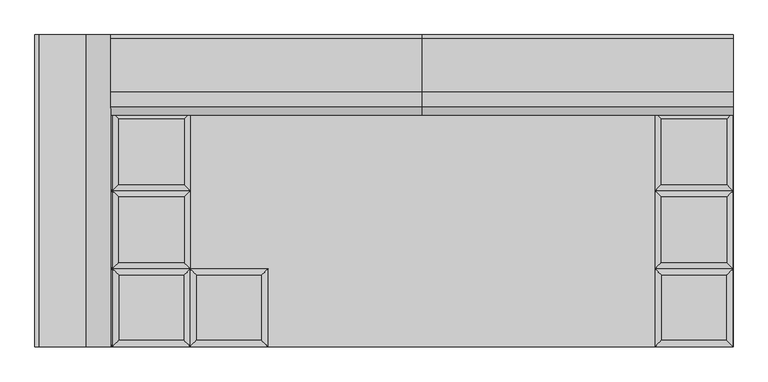
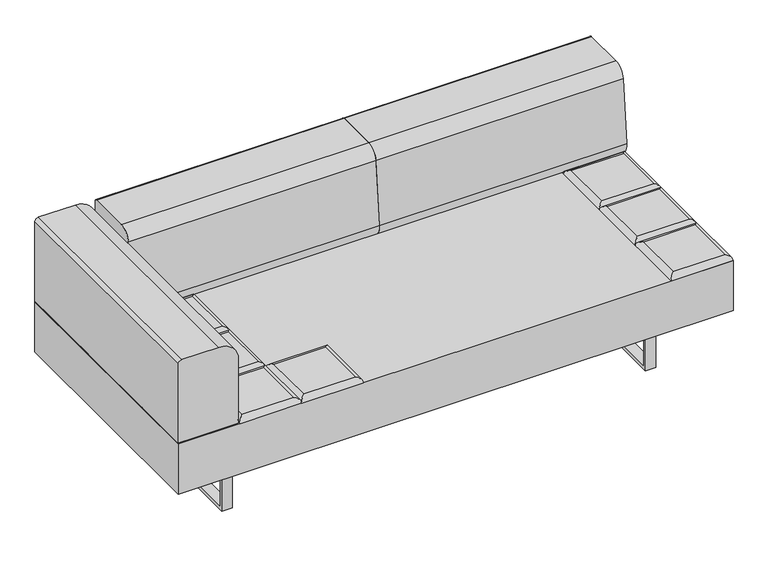
"""IFC4 building model written with IfcOpenShell, lengths in millimetres: furniture geometry."""

from ifc_helpers import new_model, si_unit, point, frame, frame_2d, origin, place, context, project, spatial, polyline, circle_curve, ellipse_curve, trimmed, segment, composite_curve, outline, extrude, source, transform, mapped, element, save
from ifc_brep_helpers import plane_surface, cylinder_surface, advanced_brep


def furniture_62f814ec(model_context):
    return source(origin(), model_context, "Body", "SolidModel", [
        advanced_brep(
        [(-330.2, -222.25, 393.7), (-348.1605122, -240.2105122, 411.6605122), (-348.1605122, -426.5394878, 411.6605122), (-330.2, -444.5, 393.7), (-534.4894878, -426.5394878, 411.6605122), (-552.45, -444.5, 393.7), (-534.4894878, -240.2105122, 411.6605122), (-552.45, -222.25, 393.7)],
        [
            (0, 1, ellipse_curve(frame((-348.1605122, -240.2105122, 393.7), z_axis=(0.7071067811865475, -0.7071067811865475, 0.0), x_axis=(0.7071067811865474, 0.7071067811865476, 0.0)), 25.4, 17.9605122)),
            (1, 2),
            (2, 3, ellipse_curve(frame((-348.1605122, -426.5394878, 393.7), z_axis=(0.7071067811865475, 0.7071067811865475, 0.0), x_axis=(-0.7071067811865474, 0.7071067811865476, 0.0)), 25.4, 17.9605122)),
            (3, 0),
            (2, 4),
            (4, 5, ellipse_curve(frame((-534.4894878, -426.5394878, 393.7), z_axis=(0.7071067811865475, -0.7071067811865475, 0.0), x_axis=(0.7071067811865476, 0.7071067811865474, 0.0)), 25.4, 17.9605122)),
            (5, 3),
            (4, 6),
            (6, 7, ellipse_curve(frame((-534.4894878, -240.2105122, 393.7), z_axis=(-0.7071067811865475, -0.7071067811865475, 0.0), x_axis=(0.7071067811865474, -0.7071067811865476, 0.0)), 25.4, 17.9605122)),
            (7, 5),
            (0, 7),
            (6, 1),
        ],
        [
            cylinder_surface(frame((-348.1605122, -222.25, 393.7), z_axis=(0.0, 1.0, 0.0), x_axis=(1.0, 0.0, 0.0)), 17.9605122),
            cylinder_surface(frame((-330.2, -426.5394878, 393.7), z_axis=(1.0, 0.0, 0.0), x_axis=(0.0, -1.0, 0.0)), 17.9605122),
            cylinder_surface(frame((-534.4894878, -444.5, 393.7), z_axis=(0.0, -1.0, 0.0), x_axis=(-1.0, 0.0, 0.0)), 17.9605122),
            cylinder_surface(frame((-552.45, -240.2105122, 393.7), z_axis=(-1.0, 0.0, 0.0), x_axis=(0.0, 1.0, 0.0)), 17.9605122),
            plane_surface(frame((-552.45, -222.25, 393.7), z_axis=(0.0, 0.0, -1.0), x_axis=(1.0, 0.0, 0.0))),
            plane_surface(frame((-534.4894878, -240.2105122, 411.6605122), z_axis=(0.0, 0.0, 1.0), x_axis=(-1.0, 0.0, 0.0))),
        ],
        [
            (0, [[1, 2, 3, 4]]),
            (1, [[-3, 5, 6, 7]]),
            (2, [[-6, 8, 9, 10]]),
            (3, [[-1, 11, -9, 12]]),
            (4, [[-4, -7, -10, -11]]),
            (5, [[-2, -12, -8, -5]]),
        ],
    ),
        advanced_brep(
        [(-568.8230122, -204.2894878, 411.6605122), (-568.8230122, -17.9605122, 411.6605122), (-755.1519878, -17.9605122, 411.6605122), (-755.1519878, -204.2894878, 411.6605122), (-550.8625, 0.0, 393.7), (-550.8625, -222.25, 393.7), (-773.1125, -222.25, 393.7), (-773.1125, 0.0, 393.7)],
        [
            (0, 1),
            (1, 2),
            (2, 3),
            (3, 0),
            (4, 5),
            (5, 6),
            (6, 7),
            (7, 4),
            (4, 1, ellipse_curve(frame((-568.8230122, -17.9605122, 393.7), z_axis=(0.7071067811865475, -0.7071067811865475, 0.0), x_axis=(0.7071067811865474, 0.7071067811865476, 0.0)), 25.4, 17.9605122)),
            (0, 5, ellipse_curve(frame((-568.8230122, -204.2894878, 393.7), z_axis=(0.7071067811865475, 0.7071067811865475, 0.0), x_axis=(-0.7071067811865474, 0.7071067811865476, 0.0)), 25.4, 17.9605122)),
            (3, 6, ellipse_curve(frame((-755.1519878, -204.2894878, 393.7), z_axis=(0.7071067811865475, -0.7071067811865475, 0.0), x_axis=(0.7071067811865476, 0.7071067811865474, 0.0)), 25.4, 17.9605122)),
            (2, 7, ellipse_curve(frame((-755.1519878, -17.9605122, 393.7), z_axis=(-0.7071067811865475, -0.7071067811865475, 0.0), x_axis=(0.7071067811865474, -0.7071067811865476, 0.0)), 25.4, 17.9605122)),
        ],
        [
            plane_surface(frame((-755.1519878, -17.9605122, 411.6605122), z_axis=(0.0, 0.0, 1.0), x_axis=(-1.0, 0.0, 0.0))),
            plane_surface(frame((-755.1519878, -17.9605122, 393.7), z_axis=(0.0, 0.0, -1.0), x_axis=(1.0, 0.0, 0.0))),
            cylinder_surface(frame((-568.8230122, 0.0, 393.7), z_axis=(0.0, 1.0, 0.0), x_axis=(1.0, 0.0, 0.0)), 17.9605122),
            cylinder_surface(frame((-550.8625, -204.2894878, 393.7), z_axis=(1.0, 0.0, 0.0), x_axis=(0.0, -1.0, 0.0)), 17.9605122),
            cylinder_surface(frame((-755.1519878, -222.25, 393.7), z_axis=(0.0, -1.0, 0.0), x_axis=(-1.0, 0.0, 0.0)), 17.9605122),
            cylinder_surface(frame((-773.1125, -17.9605122, 393.7), z_axis=(-1.0, 0.0, 0.0), x_axis=(0.0, 1.0, 0.0)), 17.9605122),
        ],
        [
            (0, [[1, 2, 3, 4]]),
            (1, [[5, 6, 7, 8]]),
            (2, [[9, -1, 10, -5]]),
            (3, [[-10, -4, 11, -6]]),
            (4, [[-11, -3, 12, -7]]),
            (5, [[-9, -8, -12, -2]]),
        ],
    ),
        advanced_brep(
        [(-568.8230122, 17.9605122, 411.6605122), (-568.8230122, 204.2894878, 411.6605122), (-755.1519878, 204.2894878, 411.6605122), (-755.1519878, 17.9605122, 411.6605122), (-550.8625, 222.25, 393.7), (-550.8625, 0.0, 393.7), (-773.1125, 0.0, 393.7), (-773.1125, 222.25, 393.7)],
        [
            (0, 1),
            (1, 2),
            (2, 3),
            (3, 0),
            (4, 5),
            (5, 6),
            (6, 7),
            (7, 4),
            (4, 1, ellipse_curve(frame((-568.8230122, 204.2894878, 393.7), z_axis=(0.7071067811865475, -0.7071067811865475, 0.0), x_axis=(0.7071067811865474, 0.7071067811865476, 0.0)), 25.4, 17.9605122)),
            (0, 5, ellipse_curve(frame((-568.8230122, 17.9605122, 393.7), z_axis=(0.7071067811865475, 0.7071067811865475, 0.0), x_axis=(-0.7071067811865474, 0.7071067811865476, 0.0)), 25.4, 17.9605122)),
            (3, 6, ellipse_curve(frame((-755.1519878, 17.9605122, 393.7), z_axis=(0.7071067811865475, -0.7071067811865475, 0.0), x_axis=(0.7071067811865476, 0.7071067811865474, 0.0)), 25.4, 17.9605122)),
            (2, 7, ellipse_curve(frame((-755.1519878, 204.2894878, 393.7), z_axis=(-0.7071067811865475, -0.7071067811865475, 0.0), x_axis=(0.7071067811865474, -0.7071067811865476, 0.0)), 25.4, 17.9605122)),
        ],
        [
            plane_surface(frame((-755.1519878, 204.2894878, 411.6605122), z_axis=(0.0, 0.0, 1.0), x_axis=(-1.0, 0.0, 0.0))),
            plane_surface(frame((-755.1519878, 204.2894878, 393.7), z_axis=(0.0, 0.0, -1.0), x_axis=(1.0, 0.0, 0.0))),
            cylinder_surface(frame((-568.8230122, 222.25, 393.7), z_axis=(0.0, 1.0, 0.0), x_axis=(1.0, 0.0, 0.0)), 17.9605122),
            cylinder_surface(frame((-550.8625, 17.9605122, 393.7), z_axis=(1.0, 0.0, 0.0), x_axis=(0.0, -1.0, 0.0)), 17.9605122),
            cylinder_surface(frame((-755.1519878, 0.0, 393.7), z_axis=(0.0, -1.0, 0.0), x_axis=(-1.0, 0.0, 0.0)), 17.9605122),
            cylinder_surface(frame((-773.1125, 204.2894878, 393.7), z_axis=(-1.0, 0.0, 0.0), x_axis=(0.0, 1.0, 0.0)), 17.9605122),
        ],
        [
            (0, [[1, 2, 3, 4]]),
            (1, [[5, 6, 7, 8]]),
            (2, [[9, -1, 10, -5]]),
            (3, [[-10, -4, 11, -6]]),
            (4, [[-11, -3, 12, -7]]),
            (5, [[-9, -8, -12, -2]]),
        ],
    ),
        advanced_brep(
        [(-568.8230122, 240.2105122, 411.6605122), (-568.8230122, 426.5394878, 411.6605122), (-755.1519878, 426.5394878, 411.6605122), (-755.1519878, 240.2105122, 411.6605122), (-550.8625, 444.5, 393.7), (-550.8625, 222.25, 393.7), (-773.1125, 222.25, 393.7), (-773.1125, 444.5, 393.7)],
        [
            (0, 1),
            (1, 2),
            (2, 3),
            (3, 0),
            (4, 5),
            (5, 6),
            (6, 7),
            (7, 4),
            (4, 1, ellipse_curve(frame((-568.8230122, 426.5394878, 393.7), z_axis=(0.7071067811865475, -0.7071067811865475, 0.0), x_axis=(0.7071067811865474, 0.7071067811865476, 0.0)), 25.4, 17.9605122)),
            (0, 5, ellipse_curve(frame((-568.8230122, 240.2105122, 393.7), z_axis=(0.7071067811865475, 0.7071067811865475, 0.0), x_axis=(-0.7071067811865474, 0.7071067811865476, 0.0)), 25.4, 17.9605122)),
            (3, 6, ellipse_curve(frame((-755.1519878, 240.2105122, 393.7), z_axis=(0.7071067811865475, -0.7071067811865475, 0.0), x_axis=(0.7071067811865476, 0.7071067811865474, 0.0)), 25.4, 17.9605122)),
            (2, 7, ellipse_curve(frame((-755.1519878, 426.5394878, 393.7), z_axis=(-0.7071067811865475, -0.7071067811865475, 0.0), x_axis=(0.7071067811865474, -0.7071067811865476, 0.0)), 25.4, 17.9605122)),
        ],
        [
            plane_surface(frame((-755.1519878, 426.5394878, 411.6605122), z_axis=(0.0, 0.0, 1.0), x_axis=(-1.0, 0.0, 0.0))),
            plane_surface(frame((-755.1519878, 426.5394878, 393.7), z_axis=(0.0, 0.0, -1.0), x_axis=(1.0, 0.0, 0.0))),
            cylinder_surface(frame((-568.8230122, 444.5, 393.7), z_axis=(0.0, 1.0, 0.0), x_axis=(1.0, 0.0, 0.0)), 17.9605122),
            cylinder_surface(frame((-550.8625, 240.2105122, 393.7), z_axis=(1.0, 0.0, 0.0), x_axis=(0.0, -1.0, 0.0)), 17.9605122),
            cylinder_surface(frame((-755.1519878, 222.25, 393.7), z_axis=(0.0, -1.0, 0.0), x_axis=(-1.0, 0.0, 0.0)), 17.9605122),
            cylinder_surface(frame((-773.1125, 426.5394878, 393.7), z_axis=(-1.0, 0.0, 0.0), x_axis=(0.0, 1.0, 0.0)), 17.9605122),
        ],
        [
            (0, [[1, 2, 3, 4]]),
            (1, [[5, 6, 7, 8]]),
            (2, [[9, -1, 10, -5]]),
            (3, [[-10, -4, 11, -6]]),
            (4, [[-11, -3, 12, -7]]),
            (5, [[-9, -8, -12, -2]]),
        ],
    ),
        advanced_brep(
        [(-550.8625, -222.25, 393.7), (-568.8230122, -240.2105122, 411.6605122), (-568.8230122, -426.5394878, 411.6605122), (-550.8625, -444.5, 393.7), (-755.1519878, -426.5394878, 411.6605122), (-773.1125, -444.5, 393.7), (-755.1519878, -240.2105122, 411.6605122), (-773.1125, -222.25, 393.7)],
        [
            (0, 1, ellipse_curve(frame((-568.8230122, -240.2105122, 393.7), z_axis=(0.7071067811865475, -0.7071067811865475, 0.0), x_axis=(0.7071067811865474, 0.7071067811865476, 0.0)), 25.4, 17.9605122)),
            (1, 2),
            (2, 3, ellipse_curve(frame((-568.8230122, -426.5394878, 393.7), z_axis=(0.7071067811865475, 0.7071067811865475, 0.0), x_axis=(-0.7071067811865474, 0.7071067811865476, 0.0)), 25.4, 17.9605122)),
            (3, 0),
            (2, 4),
            (4, 5, ellipse_curve(frame((-755.1519878, -426.5394878, 393.7), z_axis=(0.7071067811865475, -0.7071067811865475, 0.0), x_axis=(0.7071067811865476, 0.7071067811865474, 0.0)), 25.4, 17.9605122)),
            (5, 3),
            (4, 6),
            (6, 7, ellipse_curve(frame((-755.1519878, -240.2105122, 393.7), z_axis=(-0.7071067811865475, -0.7071067811865475, 0.0), x_axis=(0.7071067811865474, -0.7071067811865476, 0.0)), 25.4, 17.9605122)),
            (7, 5),
            (0, 7),
            (6, 1),
        ],
        [
            cylinder_surface(frame((-568.8230122, -222.25, 393.7), z_axis=(0.0, 1.0, 0.0), x_axis=(1.0, 0.0, 0.0)), 17.9605122),
            cylinder_surface(frame((-550.8625, -426.5394878, 393.7), z_axis=(1.0, 0.0, 0.0), x_axis=(0.0, -1.0, 0.0)), 17.9605122),
            cylinder_surface(frame((-755.1519878, -444.5, 393.7), z_axis=(0.0, -1.0, 0.0), x_axis=(-1.0, 0.0, 0.0)), 17.9605122),
            cylinder_surface(frame((-773.1125, -240.2105122, 393.7), z_axis=(-1.0, 0.0, 0.0), x_axis=(0.0, 1.0, 0.0)), 17.9605122),
            plane_surface(frame((-773.1125, -222.25, 393.7), z_axis=(0.0, 0.0, -1.0), x_axis=(1.0, 0.0, 0.0))),
            plane_surface(frame((-755.1519878, -240.2105122, 411.6605122), z_axis=(0.0, 0.0, 1.0), x_axis=(-1.0, 0.0, 0.0))),
        ],
        [
            (0, [[1, 2, 3, 4]]),
            (1, [[-3, 5, 6, 7]]),
            (2, [[-6, 8, 9, 10]]),
            (3, [[-1, 11, -9, 12]]),
            (4, [[-4, -7, -10, -11]]),
            (5, [[-2, -12, -8, -5]]),
        ],
    ),
        advanced_brep(
        [(975.8144878, -204.2894878, 411.6605122), (975.8144878, -17.9605122, 411.6605122), (789.4855122, -17.9605122, 411.6605122), (789.4855122, -204.2894878, 411.6605122), (993.775, 0.0, 393.7), (993.775, -222.25, 393.7), (771.525, -222.25, 393.7), (771.525, 0.0, 393.7)],
        [
            (0, 1),
            (1, 2),
            (2, 3),
            (3, 0),
            (4, 5),
            (5, 6),
            (6, 7),
            (7, 4),
            (4, 1, ellipse_curve(frame((975.8144878, -17.9605122, 393.7), z_axis=(0.7071067811865475, -0.7071067811865475, 0.0), x_axis=(0.7071067811865474, 0.7071067811865476, 0.0)), 25.4, 17.9605122)),
            (0, 5, ellipse_curve(frame((975.8144878, -204.2894878, 393.7), z_axis=(0.7071067811865475, 0.7071067811865475, 0.0), x_axis=(-0.7071067811865474, 0.7071067811865476, 0.0)), 25.4, 17.9605122)),
            (3, 6, ellipse_curve(frame((789.4855122, -204.2894878, 393.7), z_axis=(0.7071067811865475, -0.7071067811865475, 0.0), x_axis=(0.7071067811865476, 0.7071067811865474, 0.0)), 25.4, 17.9605122)),
            (2, 7, ellipse_curve(frame((789.4855122, -17.9605122, 393.7), z_axis=(-0.7071067811865475, -0.7071067811865475, 0.0), x_axis=(0.7071067811865474, -0.7071067811865476, 0.0)), 25.4, 17.9605122)),
        ],
        [
            plane_surface(frame((789.4855122, -17.9605122, 411.6605122), z_axis=(0.0, 0.0, 1.0), x_axis=(-1.0, 0.0, 0.0))),
            plane_surface(frame((789.4855122, -17.9605122, 393.7), z_axis=(0.0, 0.0, -1.0), x_axis=(1.0, 0.0, 0.0))),
            cylinder_surface(frame((975.8144878, 0.0, 393.7), z_axis=(0.0, 1.0, 0.0), x_axis=(1.0, 0.0, 0.0)), 17.9605122),
            cylinder_surface(frame((993.775, -204.2894878, 393.7), z_axis=(1.0, 0.0, 0.0), x_axis=(0.0, -1.0, 0.0)), 17.9605122),
            cylinder_surface(frame((789.4855122, -222.25, 393.7), z_axis=(0.0, -1.0, 0.0), x_axis=(-1.0, 0.0, 0.0)), 17.9605122),
            cylinder_surface(frame((771.525, -17.9605122, 393.7), z_axis=(-1.0, 0.0, 0.0), x_axis=(0.0, 1.0, 0.0)), 17.9605122),
        ],
        [
            (0, [[1, 2, 3, 4]]),
            (1, [[5, 6, 7, 8]]),
            (2, [[9, -1, 10, -5]]),
            (3, [[-10, -4, 11, -6]]),
            (4, [[-11, -3, 12, -7]]),
            (5, [[-9, -8, -12, -2]]),
        ],
    ),
        advanced_brep(
        [(975.8144878, 17.9605122, 411.6605122), (975.8144878, 204.2894878, 411.6605122), (789.4855122, 204.2894878, 411.6605122), (789.4855122, 17.9605122, 411.6605122), (993.775, 222.25, 393.7), (993.775, 0.0, 393.7), (771.525, 0.0, 393.7), (771.525, 222.25, 393.7)],
        [
            (0, 1),
            (1, 2),
            (2, 3),
            (3, 0),
            (4, 5),
            (5, 6),
            (6, 7),
            (7, 4),
            (4, 1, ellipse_curve(frame((975.8144878, 204.2894878, 393.7), z_axis=(0.7071067811865475, -0.7071067811865475, 0.0), x_axis=(0.7071067811865474, 0.7071067811865476, 0.0)), 25.4, 17.9605122)),
            (0, 5, ellipse_curve(frame((975.8144878, 17.9605122, 393.7), z_axis=(0.7071067811865475, 0.7071067811865475, 0.0), x_axis=(-0.7071067811865474, 0.7071067811865476, 0.0)), 25.4, 17.9605122)),
            (3, 6, ellipse_curve(frame((789.4855122, 17.9605122, 393.7), z_axis=(0.7071067811865475, -0.7071067811865475, 0.0), x_axis=(0.7071067811865476, 0.7071067811865474, 0.0)), 25.4, 17.9605122)),
            (2, 7, ellipse_curve(frame((789.4855122, 204.2894878, 393.7), z_axis=(-0.7071067811865475, -0.7071067811865475, 0.0), x_axis=(0.7071067811865474, -0.7071067811865476, 0.0)), 25.4, 17.9605122)),
        ],
        [
            plane_surface(frame((789.4855122, 204.2894878, 411.6605122), z_axis=(0.0, 0.0, 1.0), x_axis=(-1.0, 0.0, 0.0))),
            plane_surface(frame((789.4855122, 204.2894878, 393.7), z_axis=(0.0, 0.0, -1.0), x_axis=(1.0, 0.0, 0.0))),
            cylinder_surface(frame((975.8144878, 222.25, 393.7), z_axis=(0.0, 1.0, 0.0), x_axis=(1.0, 0.0, 0.0)), 17.9605122),
            cylinder_surface(frame((993.775, 17.9605122, 393.7), z_axis=(1.0, 0.0, 0.0), x_axis=(0.0, -1.0, 0.0)), 17.9605122),
            cylinder_surface(frame((789.4855122, 0.0, 393.7), z_axis=(0.0, -1.0, 0.0), x_axis=(-1.0, 0.0, 0.0)), 17.9605122),
            cylinder_surface(frame((771.525, 204.2894878, 393.7), z_axis=(-1.0, 0.0, 0.0), x_axis=(0.0, 1.0, 0.0)), 17.9605122),
        ],
        [
            (0, [[1, 2, 3, 4]]),
            (1, [[5, 6, 7, 8]]),
            (2, [[9, -1, 10, -5]]),
            (3, [[-10, -4, 11, -6]]),
            (4, [[-11, -3, 12, -7]]),
            (5, [[-9, -8, -12, -2]]),
        ],
    ),
        advanced_brep(
        [(975.8144878, 240.2105122, 411.6605122), (975.8144878, 426.5394878, 411.6605122), (789.4855122, 426.5394878, 411.6605122), (789.4855122, 240.2105122, 411.6605122), (993.775, 444.5, 393.7), (993.775, 222.25, 393.7), (771.525, 222.25, 393.7), (771.525, 444.5, 393.7)],
        [
            (0, 1),
            (1, 2),
            (2, 3),
            (3, 0),
            (4, 5),
            (5, 6),
            (6, 7),
            (7, 4),
            (4, 1, ellipse_curve(frame((975.8144878, 426.5394878, 393.7), z_axis=(0.7071067811865475, -0.7071067811865475, 0.0), x_axis=(0.7071067811865474, 0.7071067811865476, 0.0)), 25.4, 17.9605122)),
            (0, 5, ellipse_curve(frame((975.8144878, 240.2105122, 393.7), z_axis=(0.7071067811865475, 0.7071067811865475, 0.0), x_axis=(-0.7071067811865474, 0.7071067811865476, 0.0)), 25.4, 17.9605122)),
            (3, 6, ellipse_curve(frame((789.4855122, 240.2105122, 393.7), z_axis=(0.7071067811865475, -0.7071067811865475, 0.0), x_axis=(0.7071067811865476, 0.7071067811865474, 0.0)), 25.4, 17.9605122)),
            (2, 7, ellipse_curve(frame((789.4855122, 426.5394878, 393.7), z_axis=(-0.7071067811865475, -0.7071067811865475, 0.0), x_axis=(0.7071067811865474, -0.7071067811865476, 0.0)), 25.4, 17.9605122)),
        ],
        [
            plane_surface(frame((789.4855122, 426.5394878, 411.6605122), z_axis=(0.0, 0.0, 1.0), x_axis=(-1.0, 0.0, 0.0))),
            plane_surface(frame((789.4855122, 426.5394878, 393.7), z_axis=(0.0, 0.0, -1.0), x_axis=(1.0, 0.0, 0.0))),
            cylinder_surface(frame((975.8144878, 444.5, 393.7), z_axis=(0.0, 1.0, 0.0), x_axis=(1.0, 0.0, 0.0)), 17.9605122),
            cylinder_surface(frame((993.775, 240.2105122, 393.7), z_axis=(1.0, 0.0, 0.0), x_axis=(0.0, -1.0, 0.0)), 17.9605122),
            cylinder_surface(frame((789.4855122, 222.25, 393.7), z_axis=(0.0, -1.0, 0.0), x_axis=(-1.0, 0.0, 0.0)), 17.9605122),
            cylinder_surface(frame((771.525, 426.5394878, 393.7), z_axis=(-1.0, 0.0, 0.0), x_axis=(0.0, 1.0, 0.0)), 17.9605122),
        ],
        [
            (0, [[1, 2, 3, 4]]),
            (1, [[5, 6, 7, 8]]),
            (2, [[9, -1, 10, -5]]),
            (3, [[-10, -4, 11, -6]]),
            (4, [[-11, -3, 12, -7]]),
            (5, [[-9, -8, -12, -2]]),
        ],
    ),
        advanced_brep(
        [(993.775, -222.25, 393.7), (975.8144878, -240.2105122, 411.6605122), (975.8144878, -426.5394878, 411.6605122), (993.775, -444.5, 393.7), (789.4855122, -426.5394878, 411.6605122), (771.525, -444.5, 393.7), (789.4855122, -240.2105122, 411.6605122), (771.525, -222.25, 393.7)],
        [
            (0, 1, ellipse_curve(frame((975.8144878, -240.2105122, 393.7), z_axis=(0.7071067811865475, -0.7071067811865475, 0.0), x_axis=(0.7071067811865474, 0.7071067811865476, 0.0)), 25.4, 17.9605122)),
            (1, 2),
            (2, 3, ellipse_curve(frame((975.8144878, -426.5394878, 393.7), z_axis=(0.7071067811865475, 0.7071067811865475, 0.0), x_axis=(-0.7071067811865474, 0.7071067811865476, 0.0)), 25.4, 17.9605122)),
            (3, 0),
            (2, 4),
            (4, 5, ellipse_curve(frame((789.4855122, -426.5394878, 393.7), z_axis=(0.7071067811865475, -0.7071067811865475, 0.0), x_axis=(0.7071067811865476, 0.7071067811865474, 0.0)), 25.4, 17.9605122)),
            (5, 3),
            (4, 6),
            (6, 7, ellipse_curve(frame((789.4855122, -240.2105122, 393.7), z_axis=(-0.7071067811865475, -0.7071067811865475, 0.0), x_axis=(0.7071067811865474, -0.7071067811865476, 0.0)), 25.4, 17.9605122)),
            (7, 5),
            (0, 7),
            (6, 1),
        ],
        [
            cylinder_surface(frame((975.8144878, -222.25, 393.7), z_axis=(0.0, 1.0, 0.0), x_axis=(1.0, 0.0, 0.0)), 17.9605122),
            cylinder_surface(frame((993.775, -426.5394878, 393.7), z_axis=(1.0, 0.0, 0.0), x_axis=(0.0, -1.0, 0.0)), 17.9605122),
            cylinder_surface(frame((789.4855122, -444.5, 393.7), z_axis=(0.0, -1.0, 0.0), x_axis=(-1.0, 0.0, 0.0)), 17.9605122),
            cylinder_surface(frame((771.525, -240.2105122, 393.7), z_axis=(-1.0, 0.0, 0.0), x_axis=(0.0, 1.0, 0.0)), 17.9605122),
            plane_surface(frame((771.525, -222.25, 393.7), z_axis=(0.0, 0.0, -1.0), x_axis=(1.0, 0.0, 0.0))),
            plane_surface(frame((789.4855122, -240.2105122, 411.6605122), z_axis=(0.0, 0.0, 1.0), x_axis=(-1.0, 0.0, 0.0))),
        ],
        [
            (0, [[1, 2, 3, 4]]),
            (1, [[-3, 5, 6, 7]]),
            (2, [[-6, 8, 9, 10]]),
            (3, [[-1, 11, -9, 12]]),
            (4, [[-4, -7, -10, -11]]),
            (5, [[-2, -12, -8, -5]]),
        ],
    ),
        advanced_brep(
        [(-789.4855122, -204.2894878, 411.6605122), (-789.4855122, -17.9605122, 411.6605122), (-975.8144878, -17.9605122, 411.6605122), (-975.8144878, -204.2894878, 411.6605122), (-771.525, 0.0, 393.7), (-771.525, -222.25, 393.7), (-993.775, -222.25, 393.7), (-993.775, 0.0, 393.7)],
        [
            (0, 1),
            (1, 2),
            (2, 3),
            (3, 0),
            (4, 5),
            (5, 6),
            (6, 7),
            (7, 4),
            (4, 1, ellipse_curve(frame((-789.4855122, -17.9605122, 393.7), z_axis=(0.7071067811865475, -0.7071067811865475, 0.0), x_axis=(0.7071067811865474, 0.7071067811865476, 0.0)), 25.4, 17.9605122)),
            (0, 5, ellipse_curve(frame((-789.4855122, -204.2894878, 393.7), z_axis=(0.7071067811865475, 0.7071067811865475, 0.0), x_axis=(-0.7071067811865474, 0.7071067811865476, 0.0)), 25.4, 17.9605122)),
            (3, 6, ellipse_curve(frame((-975.8144878, -204.2894878, 393.7), z_axis=(0.7071067811865475, -0.7071067811865475, 0.0), x_axis=(0.7071067811865476, 0.7071067811865474, 0.0)), 25.4, 17.9605122)),
            (2, 7, ellipse_curve(frame((-975.8144878, -17.9605122, 393.7), z_axis=(-0.7071067811865475, -0.7071067811865475, 0.0), x_axis=(0.7071067811865474, -0.7071067811865476, 0.0)), 25.4, 17.9605122)),
        ],
        [
            plane_surface(frame((-975.8144878, -17.9605122, 411.6605122), z_axis=(0.0, 0.0, 1.0), x_axis=(-1.0, 0.0, 0.0))),
            plane_surface(frame((-975.8144878, -17.9605122, 393.7), z_axis=(0.0, 0.0, -1.0), x_axis=(1.0, 0.0, 0.0))),
            cylinder_surface(frame((-789.4855122, 0.0, 393.7), z_axis=(0.0, 1.0, 0.0), x_axis=(1.0, 0.0, 0.0)), 17.9605122),
            cylinder_surface(frame((-771.525, -204.2894878, 393.7), z_axis=(1.0, 0.0, 0.0), x_axis=(0.0, -1.0, 0.0)), 17.9605122),
            cylinder_surface(frame((-975.8144878, -222.25, 393.7), z_axis=(0.0, -1.0, 0.0), x_axis=(-1.0, 0.0, 0.0)), 17.9605122),
            cylinder_surface(frame((-993.775, -17.9605122, 393.7), z_axis=(-1.0, 0.0, 0.0), x_axis=(0.0, 1.0, 0.0)), 17.9605122),
        ],
        [
            (0, [[1, 2, 3, 4]]),
            (1, [[5, 6, 7, 8]]),
            (2, [[9, -1, 10, -5]]),
            (3, [[-10, -4, 11, -6]]),
            (4, [[-11, -3, 12, -7]]),
            (5, [[-9, -8, -12, -2]]),
        ],
    ),
        advanced_brep(
        [(-789.4855122, 17.9605122, 411.6605122), (-789.4855122, 204.2894878, 411.6605122), (-975.8144878, 204.2894878, 411.6605122), (-975.8144878, 17.9605122, 411.6605122), (-771.525, 222.25, 393.7), (-771.525, 0.0, 393.7), (-993.775, 0.0, 393.7), (-993.775, 222.25, 393.7)],
        [
            (0, 1),
            (1, 2),
            (2, 3),
            (3, 0),
            (4, 5),
            (5, 6),
            (6, 7),
            (7, 4),
            (4, 1, ellipse_curve(frame((-789.4855122, 204.2894878, 393.7), z_axis=(0.7071067811865475, -0.7071067811865475, 0.0), x_axis=(0.7071067811865474, 0.7071067811865476, 0.0)), 25.4, 17.9605122)),
            (0, 5, ellipse_curve(frame((-789.4855122, 17.9605122, 393.7), z_axis=(0.7071067811865475, 0.7071067811865475, 0.0), x_axis=(-0.7071067811865474, 0.7071067811865476, 0.0)), 25.4, 17.9605122)),
            (3, 6, ellipse_curve(frame((-975.8144878, 17.9605122, 393.7), z_axis=(0.7071067811865475, -0.7071067811865475, 0.0), x_axis=(0.7071067811865476, 0.7071067811865474, 0.0)), 25.4, 17.9605122)),
            (2, 7, ellipse_curve(frame((-975.8144878, 204.2894878, 393.7), z_axis=(-0.7071067811865475, -0.7071067811865475, 0.0), x_axis=(0.7071067811865474, -0.7071067811865476, 0.0)), 25.4, 17.9605122)),
        ],
        [
            plane_surface(frame((-975.8144878, 204.2894878, 411.6605122), z_axis=(0.0, 0.0, 1.0), x_axis=(-1.0, 0.0, 0.0))),
            plane_surface(frame((-975.8144878, 204.2894878, 393.7), z_axis=(0.0, 0.0, -1.0), x_axis=(1.0, 0.0, 0.0))),
            cylinder_surface(frame((-789.4855122, 222.25, 393.7), z_axis=(0.0, 1.0, 0.0), x_axis=(1.0, 0.0, 0.0)), 17.9605122),
            cylinder_surface(frame((-771.525, 17.9605122, 393.7), z_axis=(1.0, 0.0, 0.0), x_axis=(0.0, -1.0, 0.0)), 17.9605122),
            cylinder_surface(frame((-975.8144878, 0.0, 393.7), z_axis=(0.0, -1.0, 0.0), x_axis=(-1.0, 0.0, 0.0)), 17.9605122),
            cylinder_surface(frame((-993.775, 204.2894878, 393.7), z_axis=(-1.0, 0.0, 0.0), x_axis=(0.0, 1.0, 0.0)), 17.9605122),
        ],
        [
            (0, [[1, 2, 3, 4]]),
            (1, [[5, 6, 7, 8]]),
            (2, [[9, -1, 10, -5]]),
            (3, [[-10, -4, 11, -6]]),
            (4, [[-11, -3, 12, -7]]),
            (5, [[-9, -8, -12, -2]]),
        ],
    ),
        advanced_brep(
        [(-789.4855122, 240.2105122, 411.6605122), (-789.4855122, 426.5394878, 411.6605122), (-975.8144878, 426.5394878, 411.6605122), (-975.8144878, 240.2105122, 411.6605122), (-771.525, 444.5, 393.7), (-771.525, 222.25, 393.7), (-993.775, 222.25, 393.7), (-993.775, 444.5, 393.7)],
        [
            (0, 1),
            (1, 2),
            (2, 3),
            (3, 0),
            (4, 5),
            (5, 6),
            (6, 7),
            (7, 4),
            (4, 1, ellipse_curve(frame((-789.4855122, 426.5394878, 393.7), z_axis=(0.7071067811865475, -0.7071067811865475, 0.0), x_axis=(0.7071067811865474, 0.7071067811865476, 0.0)), 25.4, 17.9605122)),
            (0, 5, ellipse_curve(frame((-789.4855122, 240.2105122, 393.7), z_axis=(0.7071067811865475, 0.7071067811865475, 0.0), x_axis=(-0.7071067811865474, 0.7071067811865476, 0.0)), 25.4, 17.9605122)),
            (3, 6, ellipse_curve(frame((-975.8144878, 240.2105122, 393.7), z_axis=(0.7071067811865475, -0.7071067811865475, 0.0), x_axis=(0.7071067811865476, 0.7071067811865474, 0.0)), 25.4, 17.9605122)),
            (2, 7, ellipse_curve(frame((-975.8144878, 426.5394878, 393.7), z_axis=(-0.7071067811865475, -0.7071067811865475, 0.0), x_axis=(0.7071067811865474, -0.7071067811865476, 0.0)), 25.4, 17.9605122)),
        ],
        [
            plane_surface(frame((-975.8144878, 426.5394878, 411.6605122), z_axis=(0.0, 0.0, 1.0), x_axis=(-1.0, 0.0, 0.0))),
            plane_surface(frame((-975.8144878, 426.5394878, 393.7), z_axis=(0.0, 0.0, -1.0), x_axis=(1.0, 0.0, 0.0))),
            cylinder_surface(frame((-789.4855122, 444.5, 393.7), z_axis=(0.0, 1.0, 0.0), x_axis=(1.0, 0.0, 0.0)), 17.9605122),
            cylinder_surface(frame((-771.525, 240.2105122, 393.7), z_axis=(1.0, 0.0, 0.0), x_axis=(0.0, -1.0, 0.0)), 17.9605122),
            cylinder_surface(frame((-975.8144878, 222.25, 393.7), z_axis=(0.0, -1.0, 0.0), x_axis=(-1.0, 0.0, 0.0)), 17.9605122),
            cylinder_surface(frame((-993.775, 426.5394878, 393.7), z_axis=(-1.0, 0.0, 0.0), x_axis=(0.0, 1.0, 0.0)), 17.9605122),
        ],
        [
            (0, [[1, 2, 3, 4]]),
            (1, [[5, 6, 7, 8]]),
            (2, [[9, -1, 10, -5]]),
            (3, [[-10, -4, 11, -6]]),
            (4, [[-11, -3, 12, -7]]),
            (5, [[-9, -8, -12, -2]]),
        ],
    ),
        advanced_brep(
        [(-771.525, -222.25, 393.7), (-789.4855122, -240.2105122, 411.6605122), (-789.4855122, -426.5394878, 411.6605122), (-771.525, -444.5, 393.7), (-975.8144878, -426.5394878, 411.6605122), (-993.775, -444.5, 393.7), (-975.8144878, -240.2105122, 411.6605122), (-993.775, -222.25, 393.7)],
        [
            (0, 1, ellipse_curve(frame((-789.4855122, -240.2105122, 393.7), z_axis=(0.7071067811865475, -0.7071067811865475, 0.0), x_axis=(0.7071067811865474, 0.7071067811865476, 0.0)), 25.4, 17.9605122)),
            (1, 2),
            (2, 3, ellipse_curve(frame((-789.4855122, -426.5394878, 393.7), z_axis=(0.7071067811865475, 0.7071067811865475, 0.0), x_axis=(-0.7071067811865474, 0.7071067811865476, 0.0)), 25.4, 17.9605122)),
            (3, 0),
            (2, 4),
            (4, 5, ellipse_curve(frame((-975.8144878, -426.5394878, 393.7), z_axis=(0.7071067811865475, -0.7071067811865475, 0.0), x_axis=(0.7071067811865476, 0.7071067811865474, 0.0)), 25.4, 17.9605122)),
            (5, 3),
            (4, 6),
            (6, 7, ellipse_curve(frame((-975.8144878, -240.2105122, 393.7), z_axis=(-0.7071067811865475, -0.7071067811865475, 0.0), x_axis=(0.7071067811865474, -0.7071067811865476, 0.0)), 25.4, 17.9605122)),
            (7, 5),
            (0, 7),
            (6, 1),
        ],
        [
            cylinder_surface(frame((-789.4855122, -222.25, 393.7), z_axis=(0.0, 1.0, 0.0), x_axis=(1.0, 0.0, 0.0)), 17.9605122),
            cylinder_surface(frame((-771.525, -426.5394878, 393.7), z_axis=(1.0, 0.0, 0.0), x_axis=(0.0, -1.0, 0.0)), 17.9605122),
            cylinder_surface(frame((-975.8144878, -444.5, 393.7), z_axis=(0.0, -1.0, 0.0), x_axis=(-1.0, 0.0, 0.0)), 17.9605122),
            cylinder_surface(frame((-993.775, -240.2105122, 393.7), z_axis=(-1.0, 0.0, 0.0), x_axis=(0.0, 1.0, 0.0)), 17.9605122),
            plane_surface(frame((-993.775, -222.25, 393.7), z_axis=(0.0, 0.0, -1.0), x_axis=(1.0, 0.0, 0.0))),
            plane_surface(frame((-975.8144878, -240.2105122, 411.6605122), z_axis=(0.0, 0.0, 1.0), x_axis=(-1.0, 0.0, 0.0))),
        ],
        [
            (0, [[1, 2, 3, 4]]),
            (1, [[-3, 5, 6, 7]]),
            (2, [[-6, 8, 9, 10]]),
            (3, [[-1, 11, -9, 12]]),
            (4, [[-4, -7, -10, -11]]),
            (5, [[-2, -12, -8, -5]]),
        ],
    ),
        extrude(outline(polyline([(-339.4724839, 0.0), (-339.4724839, 203.2), (341.6588694, 203.2), (341.6588694, 0.0), (-339.4724839, 0.0)]), holes=[polyline([(-326.7724839, 190.5), (-326.7724839, 12.7), (328.9588694, 12.7), (328.9588694, 190.5), (-326.7724839, 190.5)])]), frame((-777.875, 0.0, 0.0), z_axis=(1.0, 0.0, 0.0), x_axis=(0.0, 1.0, 0.0)), (0.0, 0.0, 1.0), 38.0999535),
        extrude(outline(polyline([(-339.4724839, 203.2), (341.6588694, 203.2), (341.6588694, 0.0), (-339.4724839, 0.0), (-339.4724839, 203.2)]), holes=[polyline([(-326.7724839, 12.7), (328.9588694, 12.7), (328.9588694, 190.5), (-326.7724839, 190.5), (-326.7724839, 12.7)])]), frame((739.7750465, 0.0, 0.0), z_axis=(1.0, 0.0, 0.0), x_axis=(0.0, 1.0, 0.0)), (0.0, 0.0, 1.0), 38.0999535),
        extrude(outline(polyline([(993.775, 444.5), (993.775, -444.5), (-993.775, -444.5), (-993.775, 444.5), (993.775, 444.5)])), frame((0.0, 0.0, 203.2), z_axis=(0.0, 0.0, 1.0), x_axis=(1.0, 0.0, 0.0)), (0.0, 0.0, 1.0), 190.5),
        extrude(outline(composite_curve([segment(polyline([(444.5, 393.7), (232.6067514, 393.7)]), True, "CONTINUOUS"), segment(trimmed(circle_curve(frame_2d((263.4189927, 430.9463408)), 48.3392606), [point((232.6067514, 393.7))], [point((215.3053904, 435.6116811))], False, "CARTESIAN"), True, "CONTINUOUS"), segment(polyline([(215.3053904, 435.6116811), (237.9512344, 669.1580194)]), True, "CONTINUOUS"), segment(trimmed(circle_curve(frame_2d((282.1937319, 664.8680412)), 44.45), [point((237.9512344, 669.1580194))], [point((282.1937319, 709.3180412))], False, "CARTESIAN"), True, "CONTINUOUS"), segment(polyline([(282.1937319, 709.3180412), (434.544558, 709.3180412)]), True, "CONTINUOUS"), segment(trimmed(circle_curve(frame_2d((434.544558, 699.3625993)), 9.955442), [point((434.544558, 709.3180412))], [point((444.5, 699.3625993))], False, "CARTESIAN"), True, "CONTINUOUS"), segment(polyline([(444.5, 699.3625993), (444.5, 393.7)]), True, "CONTINUOUS")], self_intersect=False)), frame((-777.875, 0.0, 0.0), z_axis=(1.0, 0.0, 0.0), x_axis=(0.0, 1.0, 0.0)), (0.0, 0.0, 1.0), 885.825),
        extrude(outline(composite_curve([segment(polyline([(696.9125, -993.775), (393.7, -993.775), (393.7, -777.875), (639.7622655, -777.875)]), True, "CONTINUOUS"), segment(trimmed(circle_curve(frame_2d((639.7622655, -847.7252345)), 69.8502345), [point((639.7622655, -777.875))], [point((709.6125, -847.7252345))], False, "CARTESIAN"), True, "CONTINUOUS"), segment(polyline([(709.6125, -847.7252345), (709.6125, -981.075)]), True, "CONTINUOUS"), segment(trimmed(circle_curve(frame_2d((696.9125, -981.075)), 12.7), [point((709.6125, -981.075))], [point((696.9125, -993.775))], False, "CARTESIAN"), True, "CONTINUOUS")], self_intersect=False)), frame((0.0, -444.5, 0.0), z_axis=(0.0, 1.0, 0.0), x_axis=(0.0, 0.0, 1.0)), (0.0, 0.0, 1.0), 889.0),
        extrude(outline(composite_curve([segment(polyline([(444.5, 393.7), (232.6067514, 393.7)]), True, "CONTINUOUS"), segment(trimmed(circle_curve(frame_2d((263.4189927, 430.9463408)), 48.3392606), [point((232.6067514, 393.7))], [point((215.3053904, 435.6116811))], False, "CARTESIAN"), True, "CONTINUOUS"), segment(polyline([(215.3053904, 435.6116811), (237.9512344, 669.1580194)]), True, "CONTINUOUS"), segment(trimmed(circle_curve(frame_2d((282.1937319, 664.8680412)), 44.45), [point((237.9512344, 669.1580194))], [point((282.1937319, 709.3180412))], False, "CARTESIAN"), True, "CONTINUOUS"), segment(polyline([(282.1937319, 709.3180412), (434.544558, 709.3180412)]), True, "CONTINUOUS"), segment(trimmed(circle_curve(frame_2d((434.544558, 699.3625993)), 9.955442), [point((434.544558, 709.3180412))], [point((444.5, 699.3625993))], False, "CARTESIAN"), True, "CONTINUOUS"), segment(polyline([(444.5, 699.3625993), (444.5, 393.7)]), True, "CONTINUOUS")], self_intersect=False)), frame((107.95, 0.0, 0.0), z_axis=(1.0, 0.0, 0.0), x_axis=(0.0, 1.0, 0.0)), (0.0, 0.0, 1.0), 885.825),
    ])


if __name__ == "__main__":
    model = new_model("IFC4")
    model_context = context("Model", 3, world=origin())
    ifc_project = project(units=[si_unit("LENGTHUNIT", "METRE", prefix="MILLI")], contexts=[model_context])
    site = spatial("IfcSite", under=ifc_project)
    building = spatial("IfcBuilding", under=site)
    placement = place(None, origin())
    furniture_shape = furniture_62f814ec(model_context)
    element("IfcFurniture", 1, at=placement, inside=building, context=model_context, shape_type="MappedRepresentation", body=[
        mapped(furniture_shape, transform((0.0, 0.0, 0.0), x_axis=(1.0, 0.0, 0.0), y_axis=(0.0, 1.0, 0.0), z_axis=(0.0, 0.0, 1.0))),
    ])
    save(model, "model.ifc")
